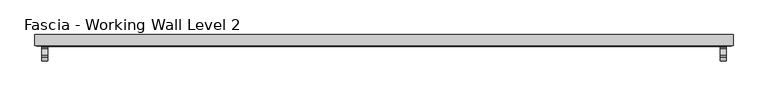
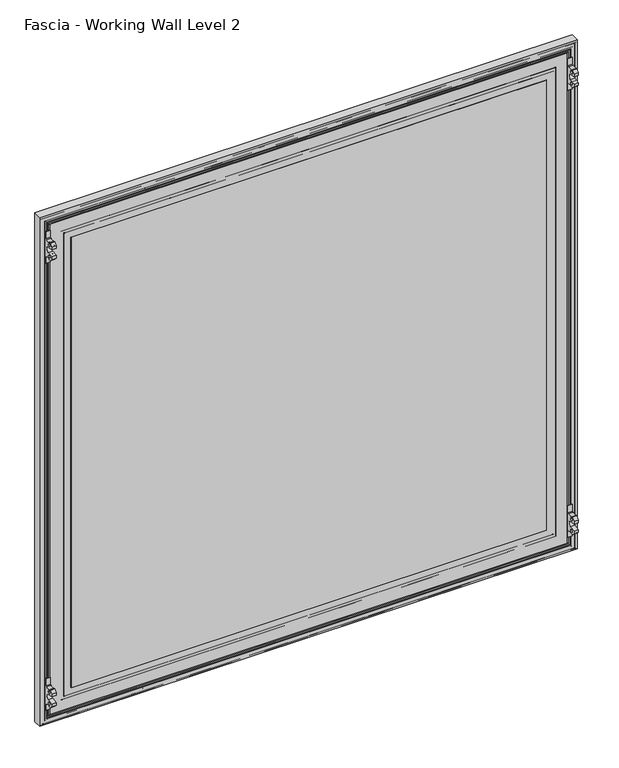
"""IFC4 building model written with IfcOpenShell, lengths in millimetres: proxy geometry, Fascia - Working Wall Level 2."""

from ifc_helpers import new_model, si_unit, point, frame, frame_2d, origin, origin_with_axes, place, context, project, spatial, polyline, circle_curve, ellipse_curve, trimmed, segment, composite_curve, outline, extrude, source, transform, mapped, element, save
from ifc_brep_helpers import plane_surface, cylinder_surface, advanced_brep


def fascia_working_wall_level_2_d89a5478(model_context):
    return source(origin(), model_context, "Body", "SolidModel", [
        extrude(outline(polyline([(-683.2777862, 27.57958), (521.7252112, 27.57958), (521.7252112, 8.52958), (-683.2777862, 8.52958), (-683.2777862, 27.57958)])), origin_with_axes(), (0.0, 0.0, 1.0), 1206.5),
        extrude(outline(polyline([(-613.7452862, 8.52958), (452.1927112, 8.52958), (452.1927112, 7.7479633), (-613.7452862, 7.7479633), (-613.7452862, 8.52958)])), frame((0.0, 0.0, 68.2878437), z_axis=(0.0, 0.0, 1.0), x_axis=(1.0, 0.0, 0.0)), (0.0, 0.0, 1.0), 1067.435),
        advanced_brep(
        [(-635.4468785, 9.1390123, 46.5862514), (-635.7162862, 8.26542, 46.3168437), (474.1637112, 8.26542, 46.3168437), (473.8943035, 9.1390123, 46.5862514), (-636.6206938, 10.3128277, 45.412436), (475.0681189, 10.3128277, 45.412436), (-629.5340938, 9.1390123, 52.499036), (-628.3602785, 10.3128277, 53.6728514), (466.8077035, 10.3128277, 53.6728514), (467.9815189, 9.1390123, 52.499036), (-629.2646862, 8.26542, 52.7684437), (467.7121112, 8.26542, 52.7684437), (-612.9832862, 9.40842, 69.0498437), (-613.7452862, 8.26542, 68.2878437), (452.1927112, 8.26542, 68.2878437), (451.4307112, 9.40842, 69.0498437), (-600.6642862, 16.52042, 81.3688437), (-600.6642862, 9.40842, 81.3688437), (439.1117112, 9.40842, 81.3688437), (439.1117112, 16.52042, 81.3688437), (-681.6902862, 9.78942, 0.3428437), (-681.6902862, 16.52042, 0.3428437), (520.1377112, 16.52042, 0.3428437), (520.1377112, 9.78942, 0.3428437), (-680.1662862, 8.26542, 1.8668437), (518.6137112, 8.26542, 1.8668437), (-678.1188785, 9.1390123, 3.9142514), (-678.3882862, 8.26542, 3.6448437), (516.8357112, 8.26542, 3.6448437), (516.5663035, 9.1390123, 3.9142514), (-679.2926938, 10.3128277, 2.740436), (517.7401189, 10.3128277, 2.740436), (-672.2060938, 9.1390123, 9.827036), (-671.0322785, 10.3128277, 11.0008514), (509.4797035, 10.3128277, 11.0008514), (510.6535189, 9.1390123, 9.827036), (-671.9366862, 8.26542, 10.0964437), (510.3841112, 8.26542, 10.0964437), (-667.0471862, 8.26542, 14.9859437), (-668.5711862, 8.26542, 13.4619437), (507.0186112, 8.26542, 13.4619437), (505.4946112, 8.26542, 14.9859437), (-661.0781862, 8.26542, 20.9549437), (-663.4911862, 8.26542, 18.5419437), (501.9386112, 8.26542, 18.5419437), (499.5256112, 8.26542, 20.9549437), (474.1637112, 8.26542, 1157.6938437), (473.8943035, 9.1390123, 1157.424436), (475.0681189, 10.3128277, 1158.5982514), (466.8077035, 10.3128277, 1150.337836), (467.9815189, 9.1390123, 1151.5116514), (467.7121112, 8.26542, 1151.2422437), (452.1927112, 8.26542, 1135.7228437), (451.4307112, 9.40842, 1134.9608437), (439.1117112, 9.40842, 1122.6418437), (439.1117112, 16.52042, 1122.6418437), (520.1377112, 16.52042, 1203.6678437), (520.1377112, 9.78942, 1203.6678437), (518.6137112, 8.26542, 1202.1438437), (516.8357112, 8.26542, 1200.3658437), (516.5663035, 9.1390123, 1200.096436), (517.7401189, 10.3128277, 1201.2702514), (509.4797035, 10.3128277, 1193.009836), (510.6535189, 9.1390123, 1194.1836514), (510.3841112, 8.26542, 1193.9142437), (507.0186112, 8.26542, 1190.5487437), (505.4946112, 8.26542, 1189.0247437), (501.9386112, 8.26542, 1185.4687437), (499.5256112, 8.26542, 1183.0557437), (-635.7162862, 8.26542, 1157.6938437), (-635.4468785, 9.1390123, 1157.424436), (-636.6206938, 10.3128277, 1158.5982514), (-628.3602785, 10.3128277, 1150.337836), (-629.5340938, 9.1390123, 1151.5116514), (-629.2646862, 8.26542, 1151.2422437), (-613.7452862, 8.26542, 1135.7228437), (-612.9832862, 9.40842, 1134.9608437), (-600.6642862, 9.40842, 1122.6418437), (-600.6642862, 16.52042, 1122.6418437), (-681.6902862, 16.52042, 1203.6678437), (-681.6902862, 9.78942, 1203.6678437), (-680.1662862, 8.26542, 1202.1438437), (-678.3882862, 8.26542, 1200.3658437), (-678.1188785, 9.1390123, 1200.096436), (-679.2926938, 10.3128277, 1201.2702514), (-671.0322785, 10.3128277, 1193.009836), (-672.2060938, 9.1390123, 1194.1836514), (-671.9366862, 8.26542, 1193.9142437), (-668.5711862, 8.26542, 1190.5487437), (-667.0471862, 8.26542, 1189.0247437), (-663.4911862, 8.26542, 1185.4687437), (-661.0781862, 8.26542, 1183.0557437)],
        [
            (0, 1, ellipse_curve(frame((-635.8124708, 8.77342, 46.220659), z_axis=(0.7071067811865475, 0.0, -0.7071067811865475), x_axis=(-0.7071067811865476, 0.0, -0.7071067811865474)), 0.7311846, 0.5170256)),
            (1, 2),
            (2, 3, ellipse_curve(frame((474.2598958, 8.77342, 46.220659), z_axis=(-0.7071067811865475, 0.0, -0.7071067811865475), x_axis=(-0.7071067811865476, 0.0, 0.7071067811865474)), 0.7311846, 0.5170256)),
            (3, 0),
            (4, 0),
            (3, 5),
            (5, 4),
            (6, 7),
            (7, 8),
            (8, 9),
            (9, 6),
            (10, 6, ellipse_curve(frame((-629.1685015, 8.77342, 52.8646283), z_axis=(0.7071067811865475, 0.0, -0.7071067811865475), x_axis=(-0.7071067811865476, 0.0, -0.7071067811865474)), 0.7311846, 0.5170256)),
            (9, 11, ellipse_curve(frame((467.6159265, 8.77342, 52.8646283), z_axis=(-0.7071067811865475, 0.0, -0.7071067811865475), x_axis=(-0.7071067811865476, 0.0, 0.7071067811865474)), 0.7311846, 0.5170256)),
            (11, 10),
            (12, 13),
            (13, 14),
            (14, 15),
            (15, 12),
            (16, 17),
            (17, 18),
            (18, 19),
            (19, 16),
            (20, 21),
            (21, 22),
            (22, 23),
            (23, 20),
            (24, 20),
            (23, 25),
            (25, 24),
            (26, 27, ellipse_curve(frame((-678.4844708, 8.77342, 3.548659), z_axis=(0.7071067811865475, 0.0, -0.7071067811865475), x_axis=(-0.7071067811865476, 0.0, -0.7071067811865474)), 0.7311846, 0.5170256)),
            (27, 28),
            (28, 29, ellipse_curve(frame((516.9318958, 8.77342, 3.548659), z_axis=(-0.7071067811865475, 0.0, -0.7071067811865475), x_axis=(-0.7071067811865476, 0.0, 0.7071067811865474)), 0.7311846, 0.5170256)),
            (29, 26),
            (30, 26),
            (29, 31),
            (31, 30),
            (32, 33),
            (33, 34),
            (34, 35),
            (35, 32),
            (36, 32, ellipse_curve(frame((-671.8405015, 8.77342, 10.1926283), z_axis=(0.7071067811865475, 0.0, -0.7071067811865475), x_axis=(-0.7071067811865476, 0.0, -0.7071067811865474)), 0.7311846, 0.5170256)),
            (35, 37, ellipse_curve(frame((510.2879265, 8.77342, 10.1926283), z_axis=(-0.7071067811865475, 0.0, -0.7071067811865475), x_axis=(-0.7071067811865476, 0.0, 0.7071067811865474)), 0.7311846, 0.5170256)),
            (37, 36),
            (38, 39, ellipse_curve(frame((-667.8091862, 8.26542, 14.2239437), z_axis=(0.7071067811865475, 0.0, -0.7071067811865475), x_axis=(-0.7071067811865476, 0.0, -0.7071067811865474)), 1.0776307, 0.762)),
            (39, 40),
            (40, 41, ellipse_curve(frame((506.2566112, 8.26542, 14.2239437), z_axis=(-0.7071067811865475, 0.0, -0.7071067811865475), x_axis=(-0.7071067811865476, 0.0, 0.7071067811865474)), 1.0776307, 0.762)),
            (41, 38),
            (42, 43, ellipse_curve(frame((-662.2846862, 8.9837931, 19.7484437), z_axis=(0.7071067811865475, 0.0, -0.7071067811865475), x_axis=(-0.7071067811865476, 0.0, -0.7071067811865474)), 1.9858007, 1.4041731)),
            (43, 44),
            (44, 45, ellipse_curve(frame((500.7321112, 8.9837931, 19.7484437), z_axis=(-0.7071067811865475, 0.0, -0.7071067811865475), x_axis=(-0.7071067811865476, 0.0, 0.7071067811865474)), 1.9858007, 1.4041731)),
            (45, 42),
            (2, 46),
            (46, 47, ellipse_curve(frame((474.2598958, 8.77342, 1157.7900283), z_axis=(0.7071067811865475, 0.0, -0.7071067811865475), x_axis=(-0.7071067811865474, 0.0, -0.7071067811865476)), 0.7311846, 0.5170256)),
            (47, 3),
            (47, 48),
            (48, 5),
            (8, 49),
            (49, 50),
            (50, 9),
            (50, 51, ellipse_curve(frame((467.6159265, 8.77342, 1151.146059), z_axis=(0.7071067811865475, 0.0, -0.7071067811865475), x_axis=(-0.7071067811865474, 0.0, -0.7071067811865476)), 0.7311846, 0.5170256)),
            (51, 11),
            (14, 52),
            (52, 53),
            (53, 15),
            (18, 54),
            (54, 55),
            (55, 19),
            (22, 56),
            (56, 57),
            (57, 23),
            (57, 58),
            (58, 25),
            (28, 59),
            (59, 60, ellipse_curve(frame((516.9318958, 8.77342, 1200.4620283), z_axis=(0.7071067811865475, 0.0, -0.7071067811865475), x_axis=(-0.7071067811865474, 0.0, -0.7071067811865476)), 0.7311846, 0.5170256)),
            (60, 29),
            (60, 61),
            (61, 31),
            (34, 62),
            (62, 63),
            (63, 35),
            (63, 64, ellipse_curve(frame((510.2879265, 8.77342, 1193.818059), z_axis=(0.7071067811865475, 0.0, -0.7071067811865475), x_axis=(-0.7071067811865474, 0.0, -0.7071067811865476)), 0.7311846, 0.5170256)),
            (64, 37),
            (40, 65),
            (65, 66, ellipse_curve(frame((506.2566112, 8.26542, 1189.7867437), z_axis=(0.7071067811865475, 0.0, -0.7071067811865475), x_axis=(-0.7071067811865474, 0.0, -0.7071067811865476)), 1.0776307, 0.762)),
            (66, 41),
            (44, 67),
            (67, 68, ellipse_curve(frame((500.7321112, 8.9837931, 1184.2622437), z_axis=(0.7071067811865475, 0.0, -0.7071067811865475), x_axis=(-0.7071067811865474, 0.0, -0.7071067811865476)), 1.9858007, 1.4041731)),
            (68, 45),
            (46, 69),
            (69, 70, ellipse_curve(frame((-635.8124708, 8.77342, 1157.7900283), z_axis=(0.7071067811865475, 0.0, 0.7071067811865475), x_axis=(0.7071067811865476, 0.0, -0.7071067811865474)), 0.7311846, 0.5170256)),
            (70, 47),
            (70, 71),
            (71, 48),
            (49, 72),
            (72, 73),
            (73, 50),
            (73, 74, ellipse_curve(frame((-629.1685015, 8.77342, 1151.146059), z_axis=(0.7071067811865475, 0.0, 0.7071067811865475), x_axis=(0.7071067811865476, 0.0, -0.7071067811865474)), 0.7311846, 0.5170256)),
            (74, 51),
            (52, 75),
            (75, 76),
            (76, 53),
            (54, 77),
            (77, 78),
            (78, 55),
            (56, 79),
            (79, 80),
            (80, 57),
            (80, 81),
            (81, 58),
            (59, 82),
            (82, 83, ellipse_curve(frame((-678.4844708, 8.77342, 1200.4620283), z_axis=(0.7071067811865475, 0.0, 0.7071067811865475), x_axis=(0.7071067811865476, 0.0, -0.7071067811865474)), 0.7311846, 0.5170256)),
            (83, 60),
            (83, 84),
            (84, 61),
            (62, 85),
            (85, 86),
            (86, 63),
            (86, 87, ellipse_curve(frame((-671.8405015, 8.77342, 1193.818059), z_axis=(0.7071067811865475, 0.0, 0.7071067811865475), x_axis=(0.7071067811865476, 0.0, -0.7071067811865474)), 0.7311846, 0.5170256)),
            (87, 64),
            (65, 88),
            (88, 89, ellipse_curve(frame((-667.8091862, 8.26542, 1189.7867437), z_axis=(0.7071067811865475, 0.0, 0.7071067811865475), x_axis=(0.7071067811865476, 0.0, -0.7071067811865474)), 1.0776307, 0.762)),
            (89, 66),
            (67, 90),
            (90, 91, ellipse_curve(frame((-662.2846862, 8.9837931, 1184.2622437), z_axis=(0.7071067811865475, 0.0, 0.7071067811865475), x_axis=(0.7071067811865476, 0.0, -0.7071067811865474)), 1.9858007, 1.4041731)),
            (91, 68),
            (91, 42),
            (1, 69),
            (0, 70),
            (4, 71),
            (7, 72),
            (6, 73),
            (10, 74),
            (13, 75),
            (12, 76),
            (17, 77),
            (16, 78),
            (21, 79),
            (20, 80),
            (24, 81),
            (27, 82),
            (26, 83),
            (30, 84),
            (33, 85),
            (32, 86),
            (36, 87),
            (39, 88),
            (38, 89),
            (43, 90),
        ],
        [
            cylinder_surface(frame((-600.6642862, 8.77342, 46.220659), z_axis=(-1.0, 0.0, 0.0), x_axis=(0.0, 0.0, 1.0)), 0.5170256),
            plane_surface(frame((-635.4468785, 9.1390123, 46.5862514), z_axis=(0.0, 0.7071067813015448, 0.7071067810715502), x_axis=(1.0, 0.0, 0.0))),
            plane_surface(frame((-628.3602785, 10.3128277, 53.6728514), z_axis=(0.0, 0.7071067813016149, -0.7071067810714802), x_axis=(1.0, 0.0, 0.0))),
            cylinder_surface(frame((-600.6642862, 8.77342, 52.8646283), z_axis=(-1.0, 0.0, 0.0), x_axis=(0.0, 0.0, 1.0)), 0.5170256),
            plane_surface(frame((-613.7452862, 8.26542, 68.2878437), z_axis=(0.0, -0.5547001959766814, 0.8320502945035422), x_axis=(1.0, 0.0, 0.0))),
            plane_surface(frame((-600.6642862, 9.40842, 81.3688437), z_axis=(0.0, 0.0, 1.0), x_axis=(1.0, 0.0, 0.0))),
            plane_surface(frame((-681.6902862, 16.52042, 0.3428437), z_axis=(0.0, 0.0, -1.0), x_axis=(1.0, 0.0, 0.0))),
            plane_surface(frame((-681.6902862, 9.78942, 0.3428437), z_axis=(0.0, -0.7071067810149474, -0.7071067813581478), x_axis=(1.0, 0.0, 0.0))),
            cylinder_surface(frame((-600.6642862, 8.77342, 3.548659), z_axis=(-1.0, 0.0, 0.0), x_axis=(0.0, 0.0, 1.0)), 0.5170256),
            plane_surface(frame((-678.1188785, 9.1390123, 3.9142514), z_axis=(0.0, 0.7071067811139597, 0.7071067812591354), x_axis=(1.0, 0.0, 0.0))),
            plane_surface(frame((-671.0322785, 10.3128277, 11.0008514), z_axis=(0.0, 0.7071067811880297, -0.7071067811850653), x_axis=(1.0, 0.0, 0.0))),
            cylinder_surface(frame((-600.6642862, 8.77342, 10.1926283), z_axis=(-1.0, 0.0, 0.0), x_axis=(0.0, 0.0, 1.0)), 0.5170256),
            cylinder_surface(frame((-600.6642862, 8.26542, 14.2239437), z_axis=(-1.0, 0.0, 0.0), x_axis=(0.0, 0.0, 1.0)), 0.762),
            cylinder_surface(frame((-600.6642862, 8.9837931, 19.7484437), z_axis=(-1.0, 0.0, 0.0), x_axis=(0.0, 0.0, 1.0)), 1.4041731),
            cylinder_surface(frame((474.2598958, 8.77342, 81.3688437), z_axis=(0.0, 0.0, -1.0), x_axis=(-1.0, 0.0, 0.0)), 0.5170256),
            plane_surface(frame((473.8943035, 9.1390123, 46.5862514), z_axis=(-0.7071067810715405, 0.7071067813015546, 0.0), x_axis=(0.0, 0.0, 1.0))),
            plane_surface(frame((466.8077035, 10.3128277, 53.6728514), z_axis=(0.7071067810714899, 0.7071067813016051, 0.0), x_axis=(0.0, 0.0, 1.0))),
            cylinder_surface(frame((467.6159265, 8.77342, 81.3688437), z_axis=(0.0, 0.0, -1.0), x_axis=(-1.0, 0.0, 0.0)), 0.5170256),
            plane_surface(frame((452.1927112, 8.26542, 68.2878437), z_axis=(-0.8320502945035498, -0.5547001959766699, 0.0), x_axis=(0.0, 0.0, 1.0))),
            plane_surface(frame((439.1117112, 9.40842, 81.3688437), z_axis=(-1.0, 0.0, 0.0), x_axis=(0.0, 0.0, 1.0))),
            plane_surface(frame((520.1377112, 16.52042, 0.3428437), z_axis=(1.0, 0.0, 0.0), x_axis=(0.0, 0.0, 1.0))),
            plane_surface(frame((520.1377112, 9.78942, 0.3428437), z_axis=(0.707106781358138, -0.7071067810149572, 0.0), x_axis=(0.0, 0.0, 1.0))),
            cylinder_surface(frame((516.9318958, 8.77342, 81.3688437), z_axis=(0.0, 0.0, -1.0), x_axis=(-1.0, 0.0, 0.0)), 0.5170256),
            plane_surface(frame((516.5663035, 9.1390123, 3.9142514), z_axis=(-0.7071067812591256, 0.7071067811139695, 0.0), x_axis=(0.0, 0.0, 1.0))),
            plane_surface(frame((509.4797035, 10.3128277, 11.0008514), z_axis=(0.7071067811850751, 0.70710678118802, 0.0), x_axis=(0.0, 0.0, 1.0))),
            cylinder_surface(frame((510.2879265, 8.77342, 81.3688437), z_axis=(0.0, 0.0, -1.0), x_axis=(-1.0, 0.0, 0.0)), 0.5170256),
            cylinder_surface(frame((506.2566112, 8.26542, 81.3688437), z_axis=(0.0, 0.0, -1.0), x_axis=(-1.0, 0.0, 0.0)), 0.762),
            cylinder_surface(frame((500.7321112, 8.9837931, 81.3688437), z_axis=(0.0, 0.0, -1.0), x_axis=(-1.0, 0.0, 0.0)), 1.4041731),
            cylinder_surface(frame((439.1117112, 8.77342, 1157.7900283), z_axis=(1.0, 0.0, 0.0), x_axis=(0.0, 0.0, -1.0)), 0.5170256),
            plane_surface(frame((473.8943035, 9.1390123, 1157.424436), z_axis=(0.0, 0.7071067813015643, -0.7071067810715307), x_axis=(-1.0, 0.0, 0.0))),
            plane_surface(frame((466.8077035, 10.3128277, 1150.337836), z_axis=(0.0, 0.7071067813015953, 0.7071067810714997), x_axis=(-1.0, 0.0, 0.0))),
            cylinder_surface(frame((439.1117112, 8.77342, 1151.146059), z_axis=(1.0, 0.0, 0.0), x_axis=(0.0, 0.0, -1.0)), 0.5170256),
            plane_surface(frame((452.1927112, 8.26542, 1135.7228437), z_axis=(0.0, -0.5547001959766583, -0.8320502945035575), x_axis=(-1.0, 0.0, 0.0))),
            plane_surface(frame((439.1117112, 9.40842, 1122.6418437), z_axis=(0.0, 0.0, -1.0), x_axis=(-1.0, 0.0, 0.0))),
            plane_surface(frame((520.1377112, 16.52042, 1203.6678437), z_axis=(0.0, 0.0, 1.0), x_axis=(-1.0, 0.0, 0.0))),
            plane_surface(frame((520.1377112, 9.78942, 1203.6678437), z_axis=(0.0, -0.7071067810149669, 0.7071067813581282), x_axis=(-1.0, 0.0, 0.0))),
            cylinder_surface(frame((439.1117112, 8.77342, 1200.4620283), z_axis=(1.0, 0.0, 0.0), x_axis=(0.0, 0.0, -1.0)), 0.5170256),
            plane_surface(frame((516.5663035, 9.1390123, 1200.096436), z_axis=(0.0, 0.7071067811139793, -0.7071067812591159), x_axis=(-1.0, 0.0, 0.0))),
            plane_surface(frame((509.4797035, 10.3128277, 1193.009836), z_axis=(0.0, 0.7071067811880102, 0.7071067811850849), x_axis=(-1.0, 0.0, 0.0))),
            cylinder_surface(frame((439.1117112, 8.77342, 1193.818059), z_axis=(1.0, 0.0, 0.0), x_axis=(0.0, 0.0, -1.0)), 0.5170256),
            cylinder_surface(frame((439.1117112, 8.26542, 1189.7867437), z_axis=(1.0, 0.0, 0.0), x_axis=(0.0, 0.0, -1.0)), 0.762),
            cylinder_surface(frame((439.1117112, 8.9837931, 1184.2622437), z_axis=(1.0, 0.0, 0.0), x_axis=(0.0, 0.0, -1.0)), 1.4041731),
            plane_surface(frame((-661.0781862, 8.26542, 1183.0557437), z_axis=(0.0, -1.0, 0.0), x_axis=(0.0, 0.0, -1.0))),
            cylinder_surface(frame((-635.8124708, 8.77342, 1122.6418437), z_axis=(0.0, 0.0, 1.0), x_axis=(1.0, 0.0, 0.0)), 0.5170256),
            plane_surface(frame((-635.4468785, 9.1390123, 1157.424436), z_axis=(0.7071067810715405, 0.7071067813015546, 0.0), x_axis=(0.0, 0.0, -1.0))),
            plane_surface(frame((-636.6206938, 10.3128277, 1158.5982514), z_axis=(0.0, -1.0, 0.0), x_axis=(0.0, 0.0, -1.0))),
            plane_surface(frame((-628.3602785, 10.3128277, 1150.337836), z_axis=(-0.7071067810714899, 0.7071067813016051, 0.0), x_axis=(0.0, 0.0, -1.0))),
            cylinder_surface(frame((-629.1685015, 8.77342, 1122.6418437), z_axis=(0.0, 0.0, 1.0), x_axis=(1.0, 0.0, 0.0)), 0.5170256),
            plane_surface(frame((-629.2646862, 8.26542, 1151.2422437), z_axis=(0.0, -1.0, 0.0), x_axis=(0.0, 0.0, -1.0))),
            plane_surface(frame((-613.7452862, 8.26542, 1135.7228437), z_axis=(0.8320502945035498, -0.5547001959766699, 0.0), x_axis=(0.0, 0.0, -1.0))),
            plane_surface(frame((-612.9832862, 9.40842, 1134.9608437), z_axis=(0.0, -1.0, 0.0), x_axis=(0.0, 0.0, -1.0))),
            plane_surface(frame((-600.6642862, 9.40842, 1122.6418437), z_axis=(1.0, 0.0, 0.0), x_axis=(0.0, 0.0, -1.0))),
            plane_surface(frame((-600.6642862, 16.52042, 1122.6418437), z_axis=(0.0, 1.0, 0.0), x_axis=(0.0, 0.0, -1.0))),
            plane_surface(frame((-681.6902862, 16.52042, 1203.6678437), z_axis=(-1.0, 0.0, 0.0), x_axis=(0.0, 0.0, -1.0))),
            plane_surface(frame((-681.6902862, 9.78942, 1203.6678437), z_axis=(-0.707106781358138, -0.7071067810149572, 0.0), x_axis=(0.0, 0.0, -1.0))),
            plane_surface(frame((-680.1662862, 8.26542, 1202.1438437), z_axis=(0.0, -1.0, 0.0), x_axis=(0.0, 0.0, -1.0))),
            cylinder_surface(frame((-678.4844708, 8.77342, 1122.6418437), z_axis=(0.0, 0.0, 1.0), x_axis=(1.0, 0.0, 0.0)), 0.5170256),
            plane_surface(frame((-678.1188785, 9.1390123, 1200.096436), z_axis=(0.7071067812591256, 0.7071067811139695, 0.0), x_axis=(0.0, 0.0, -1.0))),
            plane_surface(frame((-679.2926938, 10.3128277, 1201.2702514), z_axis=(0.0, -1.0, 0.0), x_axis=(0.0, 0.0, -1.0))),
            plane_surface(frame((-671.0322785, 10.3128277, 1193.009836), z_axis=(-0.7071067811850751, 0.70710678118802, 0.0), x_axis=(0.0, 0.0, -1.0))),
            cylinder_surface(frame((-671.8405015, 8.77342, 1122.6418437), z_axis=(0.0, 0.0, 1.0), x_axis=(1.0, 0.0, 0.0)), 0.5170256),
            plane_surface(frame((-671.9366862, 8.26542, 1193.9142437), z_axis=(0.0, -1.0, 0.0), x_axis=(0.0, 0.0, -1.0))),
            cylinder_surface(frame((-667.8091862, 8.26542, 1122.6418437), z_axis=(0.0, 0.0, 1.0), x_axis=(1.0, 0.0, 0.0)), 0.762),
            plane_surface(frame((-667.0471862, 8.26542, 1189.0247437), z_axis=(0.0, -1.0, 0.0), x_axis=(0.0, 0.0, -1.0))),
            cylinder_surface(frame((-662.2846862, 8.9837931, 1122.6418437), z_axis=(0.0, 0.0, 1.0), x_axis=(1.0, 0.0, 0.0)), 1.4041731),
        ],
        [
            (0, [[1, 2, 3, 4]]),
            (1, [[5, -4, 6, 7]]),
            (2, [[8, 9, 10, 11]]),
            (3, [[12, -11, 13, 14]]),
            (4, [[15, 16, 17, 18]]),
            (5, [[19, 20, 21, 22]]),
            (6, [[23, 24, 25, 26]]),
            (7, [[27, -26, 28, 29]]),
            (8, [[30, 31, 32, 33]]),
            (9, [[34, -33, 35, 36]]),
            (10, [[37, 38, 39, 40]]),
            (11, [[41, -40, 42, 43]]),
            (12, [[44, 45, 46, 47]]),
            (13, [[48, 49, 50, 51]]),
            (14, [[-3, 52, 53, 54]]),
            (15, [[-6, -54, 55, 56]]),
            (16, [[-10, 57, 58, 59]]),
            (17, [[-13, -59, 60, 61]]),
            (18, [[-17, 62, 63, 64]]),
            (19, [[-21, 65, 66, 67]]),
            (20, [[-25, 68, 69, 70]]),
            (21, [[-28, -70, 71, 72]]),
            (22, [[-32, 73, 74, 75]]),
            (23, [[-35, -75, 76, 77]]),
            (24, [[-39, 78, 79, 80]]),
            (25, [[-42, -80, 81, 82]]),
            (26, [[-46, 83, 84, 85]]),
            (27, [[-50, 86, 87, 88]]),
            (28, [[-53, 89, 90, 91]]),
            (29, [[-55, -91, 92, 93]]),
            (30, [[-58, 94, 95, 96]]),
            (31, [[-60, -96, 97, 98]]),
            (32, [[-63, 99, 100, 101]]),
            (33, [[-66, 102, 103, 104]]),
            (34, [[-69, 105, 106, 107]]),
            (35, [[-71, -107, 108, 109]]),
            (36, [[-74, 110, 111, 112]]),
            (37, [[-76, -112, 113, 114]]),
            (38, [[-79, 115, 116, 117]]),
            (39, [[-81, -117, 118, 119]]),
            (40, [[-84, 120, 121, 122]]),
            (41, [[-87, 123, 124, 125]]),
            (42, [[-88, -125, 126, -51], [127, -89, -52, -2]]),
            (43, [[-90, -127, -1, 128]]),
            (44, [[-92, -128, -5, 129]]),
            (45, [[-56, -93, -129, -7], [130, -94, -57, -9]]),
            (46, [[-95, -130, -8, 131]]),
            (47, [[-97, -131, -12, 132]]),
            (48, [[-61, -98, -132, -14], [133, -99, -62, -16]]),
            (49, [[-100, -133, -15, 134]]),
            (50, [[-64, -101, -134, -18], [135, -102, -65, -20]]),
            (51, [[-103, -135, -19, 136]]),
            (52, [[137, -105, -68, -24], [-67, -104, -136, -22]]),
            (53, [[-106, -137, -23, 138]]),
            (54, [[-108, -138, -27, 139]]),
            (55, [[-72, -109, -139, -29], [140, -110, -73, -31]]),
            (56, [[-111, -140, -30, 141]]),
            (57, [[-113, -141, -34, 142]]),
            (58, [[-77, -114, -142, -36], [143, -115, -78, -38]]),
            (59, [[-116, -143, -37, 144]]),
            (60, [[-118, -144, -41, 145]]),
            (61, [[-82, -119, -145, -43], [146, -120, -83, -45]]),
            (62, [[-121, -146, -44, 147]]),
            (63, [[-85, -122, -147, -47], [148, -123, -86, -49]]),
            (64, [[-124, -148, -48, -126]]),
        ],
    ),
        extrude(outline(composite_curve([segment(polyline([(-8.6264069, 1112.9651757), (-11.464792, 1112.9651757), (-17.46478, 1118.9651637), (-17.46478, 1124.9650069), (-3.517907, 1127.0356186)]), True, "CONTINUOUS"), segment(trimmed(circle_curve(frame_2d((-4.4724412, 1133.4650077)), 6.49986), [point((-3.517907, 1127.0356186))], [point((-3.517907, 1139.8943968))], True, "CARTESIAN"), True, "CONTINUOUS"), segment(polyline([(-3.517907, 1139.8943968), (-17.46478, 1141.9650085), (-17.46478, 1147.9648517), (-11.464792, 1153.9648397), (-8.6264069, 1153.9648397)]), True, "CONTINUOUS"), segment(trimmed(circle_curve(frame_2d((-2.969762, 1160.9650086)), 8.9999998), [point((-8.6264069, 1153.9648397))], [point((2.6868829, 1153.9648397))], True, "CARTESIAN"), True, "CONTINUOUS"), segment(polyline([(2.6868829, 1153.9648397), (6.03022, 1153.9648397), (6.03022, 1170.6633077), (9.02742, 1170.6633077), (9.02742, 1096.2667077), (6.03022, 1096.2667077), (6.03022, 1112.9651757), (2.6868829, 1112.9651757)]), True, "CONTINUOUS"), segment(trimmed(circle_curve(frame_2d((-2.969762, 1105.9650068)), 8.9999998), [point((2.6868829, 1112.9651757))], [point((-8.6264069, 1112.9651757))], True, "CARTESIAN"), True, "CONTINUOUS")], self_intersect=False), holes=[composite_curve([segment(trimmed(circle_curve(frame_2d((-7.48258, 1119.9650077)), 2.7813), [point((-10.26388, 1119.9650077))], [point((-4.70128, 1119.9650077))], True, "CARTESIAN"), True, "CONTINUOUS"), segment(trimmed(circle_curve(frame_2d((-7.48258, 1119.9650077)), 2.7813), [point((-4.70128, 1119.9650077))], [point((-10.26388, 1119.9650077))], True, "CARTESIAN"), True, "CONTINUOUS")], self_intersect=False), composite_curve([segment(trimmed(circle_curve(frame_2d((-7.48258, 1146.9650077)), 2.7813), [point((-10.26388, 1146.9650077))], [point((-4.70128, 1146.9650077))], True, "CARTESIAN"), True, "CONTINUOUS"), segment(trimmed(circle_curve(frame_2d((-7.48258, 1146.9650077)), 2.7813), [point((-4.70128, 1146.9650077))], [point((-10.26388, 1146.9650077))], True, "CARTESIAN"), True, "CONTINUOUS")], self_intersect=False)]), frame((499.9828112, 0.0, 0.0), z_axis=(1.0, 0.0, 0.0), x_axis=(0.0, 1.0, 0.0)), (0.0, 0.0, 1.0), 10.0076),
        extrude(outline(composite_curve([segment(polyline([(-8.6264069, 52.5351603), (-11.464792, 52.5351603), (-17.46478, 58.5351483), (-17.46478, 64.5349915), (-3.517907, 66.6056032)]), True, "CONTINUOUS"), segment(trimmed(circle_curve(frame_2d((-4.4724412, 73.0349923)), 6.49986), [point((-3.517907, 66.6056032))], [point((-3.517907, 79.4643814))], True, "CARTESIAN"), True, "CONTINUOUS"), segment(polyline([(-3.517907, 79.4643814), (-17.46478, 81.5349931), (-17.46478, 87.5348363), (-11.464792, 93.5348243), (-8.6264069, 93.5348243)]), True, "CONTINUOUS"), segment(trimmed(circle_curve(frame_2d((-2.969762, 100.5349932)), 8.9999998), [point((-8.6264069, 93.5348243))], [point((2.6868829, 93.5348243))], True, "CARTESIAN"), True, "CONTINUOUS"), segment(polyline([(2.6868829, 93.5348243), (6.03022, 93.5348243), (6.03022, 110.2332923), (9.02742, 110.2332923), (9.02742, 35.8366923), (6.03022, 35.8366923), (6.03022, 52.5351603), (2.6868829, 52.5351603)]), True, "CONTINUOUS"), segment(trimmed(circle_curve(frame_2d((-2.969762, 45.5349914)), 8.9999998), [point((2.6868829, 52.5351603))], [point((-8.6264069, 52.5351603))], True, "CARTESIAN"), True, "CONTINUOUS")], self_intersect=False), holes=[composite_curve([segment(trimmed(circle_curve(frame_2d((-7.48258, 59.5349923)), 2.7813), [point((-10.26388, 59.5349923))], [point((-4.70128, 59.5349923))], True, "CARTESIAN"), True, "CONTINUOUS"), segment(trimmed(circle_curve(frame_2d((-7.48258, 59.5349923)), 2.7813), [point((-4.70128, 59.5349923))], [point((-10.26388, 59.5349923))], True, "CARTESIAN"), True, "CONTINUOUS")], self_intersect=False), composite_curve([segment(trimmed(circle_curve(frame_2d((-7.48258, 86.5349923)), 2.7813), [point((-10.26388, 86.5349923))], [point((-4.70128, 86.5349923))], True, "CARTESIAN"), True, "CONTINUOUS"), segment(trimmed(circle_curve(frame_2d((-7.48258, 86.5349923)), 2.7813), [point((-4.70128, 86.5349923))], [point((-10.26388, 86.5349923))], True, "CARTESIAN"), True, "CONTINUOUS")], self_intersect=False)]), frame((499.9828112, 0.0, 0.0), z_axis=(1.0, 0.0, 0.0), x_axis=(0.0, 1.0, 0.0)), (0.0, 0.0, 1.0), 10.0076),
        extrude(outline(composite_curve([segment(polyline([(6.03022, 1170.6633077), (9.02742, 1170.6633077), (9.02742, 1096.2667077), (6.03022, 1096.2667077), (6.03022, 1112.9651757), (2.6868829, 1112.9651757)]), True, "CONTINUOUS"), segment(trimmed(circle_curve(frame_2d((-2.969762, 1105.9650068)), 8.9999998), [point((2.6868829, 1112.9651757))], [point((-8.6264069, 1112.9651757))], True, "CARTESIAN"), True, "CONTINUOUS"), segment(polyline([(-8.6264069, 1112.9651757), (-11.464792, 1112.9651757), (-17.46478, 1118.9651637), (-17.46478, 1124.9650069), (-3.517907, 1127.0356186)]), True, "CONTINUOUS"), segment(trimmed(circle_curve(frame_2d((-4.4724412, 1133.4650077)), 6.49986), [point((-3.517907, 1127.0356186))], [point((-3.517907, 1139.8943968))], True, "CARTESIAN"), True, "CONTINUOUS"), segment(polyline([(-3.517907, 1139.8943968), (-17.46478, 1141.9650085), (-17.46478, 1147.9648517), (-11.464792, 1153.9648397), (-8.6264069, 1153.9648397)]), True, "CONTINUOUS"), segment(trimmed(circle_curve(frame_2d((-2.969762, 1160.9650086)), 8.9999998), [point((-8.6264069, 1153.9648397))], [point((2.6868829, 1153.9648397))], True, "CARTESIAN"), True, "CONTINUOUS"), segment(polyline([(2.6868829, 1153.9648397), (6.03022, 1153.9648397), (6.03022, 1170.6633077)]), True, "CONTINUOUS")], self_intersect=False), holes=[composite_curve([segment(trimmed(circle_curve(frame_2d((-7.48258, 1119.9650077)), 2.7813), [point((-10.26388, 1119.9650077))], [point((-4.70128, 1119.9650077))], True, "CARTESIAN"), True, "CONTINUOUS"), segment(trimmed(circle_curve(frame_2d((-7.48258, 1119.9650077)), 2.7813), [point((-4.70128, 1119.9650077))], [point((-10.26388, 1119.9650077))], True, "CARTESIAN"), True, "CONTINUOUS")], self_intersect=False), composite_curve([segment(trimmed(circle_curve(frame_2d((-7.48258, 1146.9650077)), 2.7813), [point((-10.26388, 1146.9650077))], [point((-4.70128, 1146.9650077))], True, "CARTESIAN"), True, "CONTINUOUS"), segment(trimmed(circle_curve(frame_2d((-7.48258, 1146.9650077)), 2.7813), [point((-4.70128, 1146.9650077))], [point((-10.26388, 1146.9650077))], True, "CARTESIAN"), True, "CONTINUOUS")], self_intersect=False)]), frame((-671.5429862, 0.0, 0.0), z_axis=(1.0, 0.0, 0.0), x_axis=(0.0, 1.0, 0.0)), (0.0, 0.0, 1.0), 10.0076),
        extrude(outline(composite_curve([segment(polyline([(6.03022, 110.2332923), (9.02742, 110.2332923), (9.02742, 35.8366923), (6.03022, 35.8366923), (6.03022, 52.5351603), (2.6868829, 52.5351603)]), True, "CONTINUOUS"), segment(trimmed(circle_curve(frame_2d((-2.969762, 45.5349914)), 8.9999998), [point((2.6868829, 52.5351603))], [point((-8.6264069, 52.5351603))], True, "CARTESIAN"), True, "CONTINUOUS"), segment(polyline([(-8.6264069, 52.5351603), (-11.464792, 52.5351603), (-17.46478, 58.5351483), (-17.46478, 64.5349915), (-3.517907, 66.6056032)]), True, "CONTINUOUS"), segment(trimmed(circle_curve(frame_2d((-4.4724412, 73.0349923)), 6.49986), [point((-3.517907, 66.6056032))], [point((-3.517907, 79.4643814))], True, "CARTESIAN"), True, "CONTINUOUS"), segment(polyline([(-3.517907, 79.4643814), (-17.46478, 81.5349931), (-17.46478, 87.5348363), (-11.464792, 93.5348243), (-8.6264069, 93.5348243)]), True, "CONTINUOUS"), segment(trimmed(circle_curve(frame_2d((-2.969762, 100.5349932)), 8.9999998), [point((-8.6264069, 93.5348243))], [point((2.6868829, 93.5348243))], True, "CARTESIAN"), True, "CONTINUOUS"), segment(polyline([(2.6868829, 93.5348243), (6.03022, 93.5348243), (6.03022, 110.2332923)]), True, "CONTINUOUS")], self_intersect=False), holes=[composite_curve([segment(trimmed(circle_curve(frame_2d((-7.48258, 59.5349923)), 2.7813), [point((-10.26388, 59.5349923))], [point((-4.70128, 59.5349923))], True, "CARTESIAN"), True, "CONTINUOUS"), segment(trimmed(circle_curve(frame_2d((-7.48258, 59.5349923)), 2.7813), [point((-4.70128, 59.5349923))], [point((-10.26388, 59.5349923))], True, "CARTESIAN"), True, "CONTINUOUS")], self_intersect=False), composite_curve([segment(trimmed(circle_curve(frame_2d((-7.48258, 86.5349923)), 2.7813), [point((-10.26388, 86.5349923))], [point((-4.70128, 86.5349923))], True, "CARTESIAN"), True, "CONTINUOUS"), segment(trimmed(circle_curve(frame_2d((-7.48258, 86.5349923)), 2.7813), [point((-4.70128, 86.5349923))], [point((-10.26388, 86.5349923))], True, "CARTESIAN"), True, "CONTINUOUS")], self_intersect=False)]), frame((-671.5429862, 0.0, 0.0), z_axis=(1.0, 0.0, 0.0), x_axis=(0.0, 1.0, 0.0)), (0.0, 0.0, 1.0), 10.0076),
    ])


if __name__ == "__main__":
    model = new_model("IFC4")
    model_context = context("Model", 3, world=origin())
    ifc_project = project(units=[si_unit("LENGTHUNIT", "METRE", prefix="MILLI")], contexts=[model_context])
    site = spatial("IfcSite", under=ifc_project)
    building = spatial("IfcBuilding", under=site)
    placement = place(None, origin())
    fascia_working_wall_level_2_shape = fascia_working_wall_level_2_d89a5478(model_context)
    element("IfcBuildingElementProxy", 1, Name="Fascia - Working Wall Level 2", ObjectType="Fascia - Working Wall Level 2", at=placement, inside=building, context=model_context, shape_type="MappedRepresentation", body=[
        mapped(fascia_working_wall_level_2_shape, transform((0.0, 0.0, 0.0), x_axis=(1.0, 0.0, 0.0), y_axis=(0.0, 1.0, 0.0), z_axis=(0.0, 0.0, 1.0))),
    ])
    save(model, "model.ifc")
